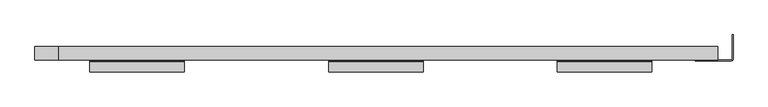
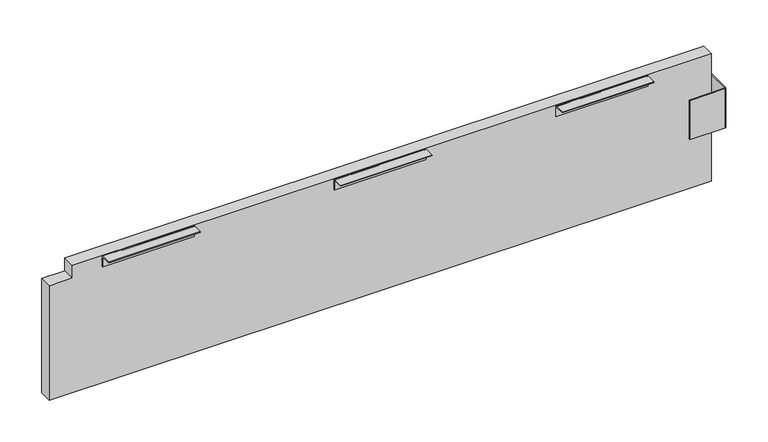
"""IFC4 building model written with IfcOpenShell, lengths in millimetres: furniture geometry."""

from ifc_helpers import new_model, si_unit, point, frame, frame_2d, origin, place, context, project, spatial, polyline, circle_curve, trimmed, segment, composite_curve, outline, extrude, source, transform, mapped, element, save


def furniture_2027e578(model_context):
    return source(origin(), model_context, "Body", "SweptSolid", [
        extrude(outline(composite_curve([segment(polyline([(-350.7400011, 709.2950048), (-350.7400011, 711.1999758), (-328.0070137, 711.1999758), (-326.121155, 710.4188461), (-325.339989, 708.5329874), (-325.339989, 685.8), (-327.2449963, 685.8), (-327.2449963, 708.5503714)]), True, "CONTINUOUS"), segment(trimmed(circle_curve(frame_2d((-327.9896297, 708.5503714)), 0.7446334), [point((-327.2449963, 708.5503714))], [point((-327.9896297, 709.2950048))], True, "CARTESIAN"), True, "CONTINUOUS"), segment(polyline([(-327.9896297, 709.2950048), (-350.7400011, 709.2950048)]), True, "CONTINUOUS")], self_intersect=False)), frame((-349.2959103, 0.0, 0.0), z_axis=(1.0, 0.0, 0.0), x_axis=(0.0, 1.0, 0.0)), (0.0, 0.0, 1.0), 203.2),
        extrude(outline(composite_curve([segment(polyline([(-350.7400011, 709.2950048), (-350.7400011, 711.1999758), (-328.0070137, 711.1999758), (-326.121155, 710.4188461), (-325.339989, 708.5329874), (-325.339989, 685.8), (-327.2449963, 685.8), (-327.2449963, 708.5503714)]), True, "CONTINUOUS"), segment(trimmed(circle_curve(frame_2d((-327.9896297, 708.5503714)), 0.7446334), [point((-327.2449963, 708.5503714))], [point((-327.9896297, 709.2950048))], True, "CARTESIAN"), True, "CONTINUOUS"), segment(polyline([(-327.9896297, 709.2950048), (-350.7400011, 709.2950048)]), True, "CONTINUOUS")], self_intersect=False)), frame((-841.0240353, 0.0, 0.0), z_axis=(1.0, 0.0, 0.0), x_axis=(0.0, 1.0, 0.0)), (0.0, 0.0, 1.0), 203.2),
        extrude(outline(composite_curve([segment(polyline([(-350.7400011, 709.2950048), (-350.7400011, 711.1999758), (-328.0070137, 711.1999758), (-326.121155, 710.4188461), (-325.339989, 708.5329874), (-325.339989, 685.8), (-327.2449963, 685.8), (-327.2449963, 708.5503714)]), True, "CONTINUOUS"), segment(trimmed(circle_curve(frame_2d((-327.9896297, 708.5503714)), 0.7446334), [point((-327.2449963, 708.5503714))], [point((-327.9896297, 709.2950048))], True, "CARTESIAN"), True, "CONTINUOUS"), segment(polyline([(-327.9896297, 709.2950048), (-350.7400011, 709.2950048)]), True, "CONTINUOUS")], self_intersect=False)), frame((-1355.0509103, 0.0, 0.0), z_axis=(1.0, 0.0, 0.0), x_axis=(0.0, 1.0, 0.0)), (0.0, 0.0, 1.0), 203.2),
        extrude(outline(polyline([(28.6499886, -270.7700096), (28.6499886, -323.3400021), (27.4784168, -326.1684268), (24.6499898, -327.3400123), (-53.1100122, -327.3400123), (-53.1100122, -325.339989), (24.6499898, -325.339989), (26.0642044, -324.7542326), (26.6499903, -323.3400021), (26.6499903, -270.7700096), (28.6499886, -270.7700096)])), frame((0.0, 0.0, 528.1890172), z_axis=(0.0, 0.0, 1.0), x_axis=(1.0, 0.0, 0.0)), (0.0, 0.0, 1.0), 92.0799537),
        extrude(outline(polyline([(681.1999901, -1472.6009571), (413.0100011, -1472.6009571), (413.0100011, -4.0609102), (711.1999758, -4.0609102), (711.1999758, -1421.3008907), (681.1999901, -1421.3008907), (681.1999901, -1472.6009571)])), frame((0.0, -325.339989, 0.0), z_axis=(0.0, 1.0, 0.0), x_axis=(0.0, 0.0, 1.0)), (0.0, 0.0, 1.0), 28.8299984),
    ])


if __name__ == "__main__":
    model = new_model("IFC4")
    model_context = context("Model", 3, world=origin())
    ifc_project = project(units=[si_unit("LENGTHUNIT", "METRE", prefix="MILLI")], contexts=[model_context])
    site = spatial("IfcSite", under=ifc_project)
    building = spatial("IfcBuilding", under=site)
    placement = place(None, origin())
    furniture_shape = furniture_2027e578(model_context)
    element("IfcFurniture", 1, at=placement, inside=building, context=model_context, shape_type="MappedRepresentation", body=[
        mapped(furniture_shape, transform((0.0, 0.0, 0.0), x_axis=(1.0, 0.0, 0.0), y_axis=(0.0, 1.0, 0.0), z_axis=(0.0, 0.0, 1.0))),
    ])
    save(model, "model.ifc")
